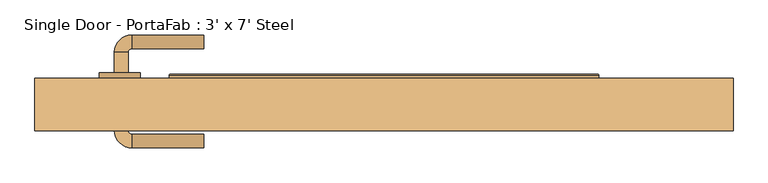
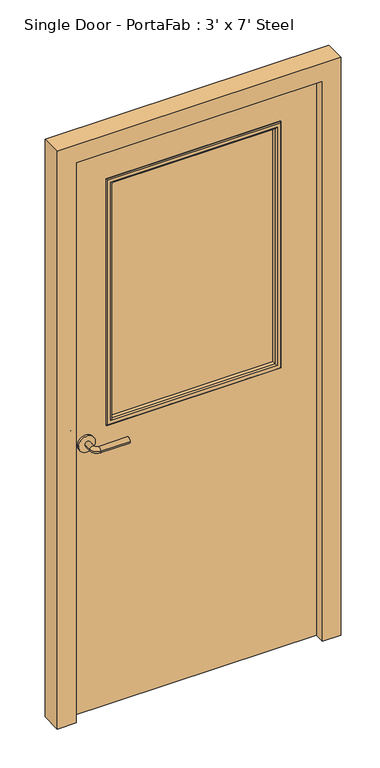
"""IFC4 building model written with IfcOpenShell, lengths in millimetres: door geometry, Single Door - PortaFab : 3' x 7' Steel."""

from ifc_helpers import new_model, si_unit, point, frame, frame_2d, origin, place, context, project, spatial, polyline, circle_curve, ellipse_curve, trimmed, segment, composite_curve, outline, extrude, faceted_brep, source, transform, mapped, element, save
from ifc_brep_helpers import plane_surface, cylinder_surface, revolved_surface, advanced_brep


def single_door_portafab_3_x_7_steel_5372bb3b(model_context):
    return source(origin(), model_context, "Body", "SolidModel", [
        advanced_brep(
        [(-392.190625, 69.7875, 1016.0), (-372.190625, 69.7875, 1016.0), (-372.190625, 39.7875, 1016.0), (-392.190625, 39.7875, 1016.0), (-367.190625, 34.7875, 1016.0), (-367.190625, 14.7875, 1016.0), (-262.190625, 14.7875, 1016.0), (-262.190625, 34.7875, 1016.0)],
        [
            (0, 1, circle_curve(frame((-382.190625, 69.7875, 1016.0), z_axis=(0.0, 1.0, 0.0), x_axis=(1.0, 0.0, 0.0)), 10.0)),
            (1, 0, circle_curve(frame((-382.190625, 69.7875, 1016.0), z_axis=(0.0, 1.0, 0.0), x_axis=(1.0, 0.0, 0.0)), 10.0)),
            (1, 2),
            (2, 3, circle_curve(frame((-382.190625, 39.7875, 1016.0), z_axis=(0.0, 1.0, 0.0), x_axis=(1.0, 0.0, 0.0)), 10.0)),
            (3, 0),
            (3, 2, circle_curve(frame((-382.190625, 39.7875, 1016.0), z_axis=(0.0, 1.0, 0.0), x_axis=(1.0, 0.0, 0.0)), 10.0)),
            (4, 5, circle_curve(frame((-367.190625, 24.7875, 1016.0), z_axis=(-1.0, 0.0, 0.0), x_axis=(0.0, 1.0, 0.0)), 10.0)),
            (5, 3, circle_curve(frame((-367.190625, 39.7875, 1016.0), z_axis=(0.0, 0.0, -1.0), x_axis=(-1.0, 0.0, 0.0)), 25.0)),
            (2, 4, circle_curve(frame((-367.190625, 39.7875, 1016.0), z_axis=(0.0, 0.0, 1.0), x_axis=(-1.0, 0.0, 0.0)), 5.0)),
            (5, 4, circle_curve(frame((-367.190625, 24.7875, 1016.0), z_axis=(-1.0, 0.0, 0.0), x_axis=(0.0, 1.0, 0.0)), 10.0)),
            (6, 7, circle_curve(frame((-262.190625, 24.7875, 1016.0), z_axis=(1.0, 0.0, 0.0), x_axis=(0.0, 1.0, 0.0)), 10.0)),
            (7, 6, circle_curve(frame((-262.190625, 24.7875, 1016.0), z_axis=(1.0, 0.0, 0.0), x_axis=(0.0, 1.0, 0.0)), 10.0)),
            (4, 7),
            (6, 5),
        ],
        [
            plane_surface(frame((-382.190625, 69.7875, 1016.0), z_axis=(0.0, 1.0, 0.0), x_axis=(0.0, 0.0, 1.0))),
            cylinder_surface(frame((-382.190625, 69.7875, 1016.0), z_axis=(0.0, 1.0, 0.0), x_axis=(1.0, 0.0, 0.0)), 10.0),
            revolved_surface(trimmed(ellipse_curve(frame((-382.190625, 39.7875, 1016.0), z_axis=(0.0, -1.0, 0.0), x_axis=(1.0, 0.0, 0.0)), 10.0, 10.0), [point((-392.190625, 39.7875, 1016.0))], [point((-372.190625, 39.7875, 1016.0))], True, "CARTESIAN"), (-367.190625, 39.7875, 1016.0), (0.0, 0.0, -1.0)),
            revolved_surface(trimmed(ellipse_curve(frame((-382.190625, 39.7875, 1016.0), z_axis=(0.0, -1.0, 0.0), x_axis=(1.0, 0.0, 0.0)), 10.0, 10.0), [point((-372.190625, 39.7875, 1016.0))], [point((-392.190625, 39.7875, 1016.0))], True, "CARTESIAN"), (-367.190625, 39.7875, 1016.0), (0.0, 0.0, -1.0)),
            plane_surface(frame((-262.190625, 24.7875, 1016.0), z_axis=(1.0, 0.0, 0.0), x_axis=(0.0, 0.0, 1.0))),
            cylinder_surface(frame((-367.190625, 24.7875, 1016.0), z_axis=(-1.0, 0.0, 0.0), x_axis=(0.0, 1.0, 0.0)), 10.0),
        ],
        [
            (0, [[1, 2]]),
            (1, [[3, 4, 5, -2]]),
            (1, [[-5, 6, -3, -1]]),
            (2, [[7, 8, -4, 9]]),
            (3, [[10, -9, -6, -8]]),
            (4, [[11, 12]]),
            (5, [[13, -11, 14, -7]]),
            (5, [[-14, -12, -13, -10]]),
        ],
    ),
        extrude(outline(composite_curve([segment(trimmed(circle_curve(frame_2d((1016.0, -384.690625)), 30.0), [point((1016.0, -414.690625))], [point((1016.0, -354.690625))], False, "CARTESIAN"), True, "CONTINUOUS"), segment(trimmed(circle_curve(frame_2d((1016.0, -384.690625)), 30.0), [point((1016.0, -354.690625))], [point((1016.0, -414.690625))], False, "CARTESIAN"), True, "CONTINUOUS")], self_intersect=False)), frame((0.0, 69.7875, 0.0), z_axis=(0.0, 1.0, 0.0), x_axis=(0.0, 0.0, 1.0)), (0.0, 0.0, 1.0), 8.0),
        advanced_brep(
        [(-392.190625, 123.8875, 1016.0), (-372.190625, 123.8875, 1016.0), (-392.190625, 153.8875, 1016.0), (-372.190625, 153.8875, 1016.0), (-367.190625, 158.8875, 1016.0), (-367.190625, 178.8875, 1016.0), (-262.190625, 178.8875, 1016.0), (-262.190625, 158.8875, 1016.0)],
        [
            (0, 1, circle_curve(frame((-382.190625, 123.8875, 1016.0), z_axis=(0.0, -1.0, 0.0), x_axis=(1.0, 0.0, 0.0)), 10.0)),
            (1, 0, circle_curve(frame((-382.190625, 123.8875, 1016.0), z_axis=(0.0, -1.0, 0.0), x_axis=(1.0, 0.0, 0.0)), 10.0)),
            (0, 2),
            (2, 3, circle_curve(frame((-382.190625, 153.8875, 1016.0), z_axis=(0.0, -1.0, 0.0), x_axis=(1.0, 0.0, 0.0)), 10.0)),
            (3, 1),
            (3, 2, circle_curve(frame((-382.190625, 153.8875, 1016.0), z_axis=(0.0, -1.0, 0.0), x_axis=(1.0, 0.0, 0.0)), 10.0)),
            (4, 3, circle_curve(frame((-367.190625, 153.8875, 1016.0), z_axis=(0.0, 0.0, 1.0), x_axis=(-1.0, 0.0, 0.0)), 5.0)),
            (2, 5, circle_curve(frame((-367.190625, 153.8875, 1016.0), z_axis=(0.0, 0.0, -1.0), x_axis=(-1.0, 0.0, 0.0)), 25.0)),
            (5, 4, circle_curve(frame((-367.190625, 168.8875, 1016.0), z_axis=(-1.0, 0.0, 0.0), x_axis=(0.0, -1.0, 0.0)), 10.0)),
            (4, 5, circle_curve(frame((-367.190625, 168.8875, 1016.0), z_axis=(-1.0, 0.0, 0.0), x_axis=(0.0, -1.0, 0.0)), 10.0)),
            (6, 7, circle_curve(frame((-262.190625, 168.8875, 1016.0), z_axis=(1.0, 0.0, 0.0), x_axis=(0.0, -1.0, 0.0)), 10.0)),
            (7, 6, circle_curve(frame((-262.190625, 168.8875, 1016.0), z_axis=(1.0, 0.0, 0.0), x_axis=(0.0, -1.0, 0.0)), 10.0)),
            (5, 6),
            (7, 4),
        ],
        [
            plane_surface(frame((-382.190625, 123.8875, 1016.0), z_axis=(0.0, -1.0, 0.0), x_axis=(0.0, 0.0, 1.0))),
            cylinder_surface(frame((-382.190625, 123.8875, 1016.0), z_axis=(0.0, -1.0, 0.0), x_axis=(1.0, 0.0, 0.0)), 10.0),
            revolved_surface(trimmed(ellipse_curve(frame((-382.190625, 153.8875, 1016.0), z_axis=(0.0, -1.0, 0.0), x_axis=(1.0, 0.0, 0.0)), 10.0, 10.0), [point((-392.190625, 153.8875, 1016.0))], [point((-372.190625, 153.8875, 1016.0))], True, "CARTESIAN"), (-367.190625, 153.8875, 1016.0), (0.0, 0.0, -1.0)),
            revolved_surface(trimmed(ellipse_curve(frame((-382.190625, 153.8875, 1016.0), z_axis=(0.0, -1.0, 0.0), x_axis=(1.0, 0.0, 0.0)), 10.0, 10.0), [point((-372.190625, 153.8875, 1016.0))], [point((-392.190625, 153.8875, 1016.0))], True, "CARTESIAN"), (-367.190625, 153.8875, 1016.0), (0.0, 0.0, -1.0)),
            plane_surface(frame((-262.190625, 168.8875, 1016.0), z_axis=(1.0, 0.0, 0.0), x_axis=(0.0, 0.0, 1.0))),
            cylinder_surface(frame((-367.190625, 168.8875, 1016.0), z_axis=(-1.0, 0.0, 0.0), x_axis=(0.0, -1.0, 0.0)), 10.0),
        ],
        [
            (0, [[1, 2]]),
            (1, [[-1, 3, 4, 5]]),
            (1, [[-2, -5, 6, -3]]),
            (2, [[7, -4, 8, 9]]),
            (3, [[-8, -6, -7, 10]]),
            (4, [[11, 12]]),
            (5, [[-9, 13, -12, 14]]),
            (5, [[-10, -14, -11, -13]]),
        ],
    ),
        extrude(outline(composite_curve([segment(trimmed(circle_curve(frame_2d((1016.0, -384.690625)), 30.0), [point((1016.0, -414.690625))], [point((1016.0, -354.690625))], False, "CARTESIAN"), True, "CONTINUOUS"), segment(trimmed(circle_curve(frame_2d((1016.0, -384.690625)), 30.0), [point((1016.0, -354.690625))], [point((1016.0, -414.690625))], False, "CARTESIAN"), True, "CONTINUOUS")], self_intersect=False)), frame((0.0, 115.8875, 0.0), z_axis=(0.0, 1.0, 0.0), x_axis=(0.0, 0.0, 1.0)), (0.0, 0.0, 1.0), 8.0),
        extrude(outline(polyline([(304.8, 90.4875), (-304.8, 90.4875), (-304.8, 96.8375), (304.8, 96.8375), (304.8, 90.4875)])), frame((0.0, 0.0, 1066.8), z_axis=(0.0, 0.0, 1.0), x_axis=(1.0, 0.0, 0.0)), (0.0, 0.0, 1.0), 914.4),
        extrude(outline(polyline([(2133.6, -457.2), (0.0, -457.2), (0.0, 457.2), (2133.6, 457.2), (2133.6, -457.2)]), holes=[polyline([(1981.2, -304.8), (1981.2, 304.8), (1066.8, 304.8), (1066.8, -304.8), (1981.2, -304.8)])]), frame((0.0, 77.7875, 0.0), z_axis=(0.0, 1.0, 0.0), x_axis=(0.0, 0.0, 1.0)), (0.0, 0.0, 1.0), 38.1),
        faceted_brep([(457.2, 73.025, 0.0), (457.2, 115.8875, 0.0), (508.0, 115.8875, 0.0), (508.0, 39.6875, 0.0), (441.325, 39.6875, 0.0), (441.325, 73.025, 0.0), (457.2, 73.025, 2133.6), (457.2, 115.8875, 2133.6), (-457.2, 115.8875, 2133.6), (-457.2, 115.8875, 0.0), (-508.0, 115.8875, 0.0), (-508.0, 115.8875, 2184.4), (508.0, 115.8875, 2184.4), (508.0, 39.6875, 2184.4), (-508.0, 39.6875, 2184.4), (-508.0, 39.6875, 0.0), (-441.325, 39.6875, 0.0), (-441.325, 39.6875, 2117.725), (441.325, 39.6875, 2117.725), (441.325, 73.025, 2117.725), (-441.325, 73.025, 2117.725), (-441.325, 73.025, 0.0), (-457.2, 73.025, 0.0), (-457.2, 73.025, 2133.6)], [[[0, 1, 2, 3, 4, 5]], [[1, 0, 6, 7]], [[2, 1, 7, 8, 9, 10, 11, 12]], [[3, 2, 12, 13]], [[3, 13, 14, 15, 16, 17, 18, 4]], [[5, 4, 18, 19]], [[0, 5, 19, 20, 21, 22, 23, 6]], [[8, 23, 22, 9]], [[22, 21, 16, 15, 10, 9]], [[14, 11, 10, 15]], [[20, 17, 16, 21]], [[7, 6, 23, 8]], [[13, 12, 11, 14]], [[19, 18, 17, 20]]]),
        advanced_brep(
        [(-304.8, 96.8375, 1066.8), (-304.8, 77.7875, 1066.8), (-304.8, 77.7875, 1981.2), (-304.8, 96.8375, 1981.2), (-292.8, 76.7875, 1078.8), (-292.8, 96.8375, 1078.8), (-292.8, 96.8375, 1969.2), (-292.8, 76.7875, 1969.2), (-297.8, 71.7875, 1073.8), (-297.8, 71.7875, 1974.2), (-312.8, 73.7875, 1058.8), (-310.8, 71.7875, 1060.8), (-310.8, 71.7875, 1987.2), (-312.8, 73.7875, 1989.2), (-312.8, 77.7875, 1058.8), (-312.8, 77.7875, 1989.2), (304.8, 77.7875, 1981.2), (304.8, 96.8375, 1981.2), (292.8, 96.8375, 1969.2), (292.8, 76.7875, 1969.2), (297.8, 71.7875, 1974.2), (310.8, 71.7875, 1987.2), (312.8, 73.7875, 1989.2), (312.8, 77.7875, 1989.2), (304.8, 77.7875, 1066.8), (304.8, 96.8375, 1066.8), (292.8, 96.8375, 1078.8), (292.8, 76.7875, 1078.8), (297.8, 71.7875, 1073.8), (310.8, 71.7875, 1060.8), (312.8, 73.7875, 1058.8), (312.8, 77.7875, 1058.8)],
        [
            (0, 1),
            (1, 2),
            (2, 3),
            (3, 0),
            (4, 5),
            (5, 6),
            (6, 7),
            (7, 4),
            (8, 4, ellipse_curve(frame((-297.8, 76.7875, 1073.8), z_axis=(-0.7071067811865475, 0.0, 0.7071067811865475), x_axis=(-0.7071067811865474, 0.0, -0.7071067811865476)), 7.0710678, 5.0)),
            (7, 9, ellipse_curve(frame((-297.8, 76.7875, 1974.2), z_axis=(-0.7071067811865475, 0.0, -0.7071067811865475), x_axis=(0.7071067811865474, 0.0, -0.7071067811865476)), 7.0710678, 5.0)),
            (9, 8),
            (10, 11, ellipse_curve(frame((-310.8, 73.7875, 1060.8), z_axis=(-0.7071067811865475, 0.0, 0.7071067811865475), x_axis=(-0.7071067811865474, 0.0, -0.7071067811865476)), 2.8284271, 2.0)),
            (11, 12),
            (12, 13, ellipse_curve(frame((-310.8, 73.7875, 1987.2), z_axis=(-0.7071067811865475, 0.0, -0.7071067811865475), x_axis=(0.7071067811865474, 0.0, -0.7071067811865476)), 2.8284271, 2.0)),
            (13, 10),
            (14, 10),
            (13, 15),
            (15, 14),
            (2, 16),
            (16, 17),
            (17, 3),
            (6, 18),
            (18, 19),
            (19, 7),
            (19, 20, ellipse_curve(frame((297.8, 76.7875, 1974.2), z_axis=(-0.7071067811865475, 0.0, 0.7071067811865475), x_axis=(-0.7071067811865476, 0.0, -0.7071067811865474)), 7.0710678, 5.0)),
            (20, 9),
            (12, 21),
            (21, 22, ellipse_curve(frame((310.8, 73.7875, 1987.2), z_axis=(-0.7071067811865475, 0.0, 0.7071067811865475), x_axis=(-0.7071067811865476, 0.0, -0.7071067811865474)), 2.8284271, 2.0)),
            (22, 13),
            (22, 23),
            (23, 15),
            (16, 24),
            (24, 25),
            (25, 17),
            (18, 26),
            (26, 27),
            (27, 19),
            (27, 28, ellipse_curve(frame((297.8, 76.7875, 1073.8), z_axis=(0.7071067811865475, 0.0, 0.7071067811865475), x_axis=(-0.7071067811865474, 0.0, 0.7071067811865476)), 7.0710678, 5.0)),
            (28, 20),
            (21, 29),
            (29, 30, ellipse_curve(frame((310.8, 73.7875, 1060.8), z_axis=(0.7071067811865475, 0.0, 0.7071067811865475), x_axis=(-0.7071067811865474, 0.0, 0.7071067811865476)), 2.8284271, 2.0)),
            (30, 22),
            (30, 31),
            (31, 23),
            (31, 14),
            (1, 24),
            (0, 25),
            (5, 26),
            (4, 27),
            (8, 28),
            (11, 29),
            (10, 30),
        ],
        [
            plane_surface(frame((-304.8, 77.7875, 1066.8), z_axis=(-1.0, 0.0, 0.0), x_axis=(0.0, 0.0, 1.0))),
            plane_surface(frame((-292.8, 96.8375, 1078.8), z_axis=(1.0, 0.0, 0.0), x_axis=(0.0, 0.0, 1.0))),
            cylinder_surface(frame((-297.8, 76.7875, 1066.8), z_axis=(0.0, 0.0, -1.0), x_axis=(-1.0, 0.0, 0.0)), 5.0),
            cylinder_surface(frame((-310.8, 73.7875, 1066.8), z_axis=(0.0, 0.0, -1.0), x_axis=(-1.0, 0.0, 0.0)), 2.0),
            plane_surface(frame((-312.8, 73.7875, 1058.8), z_axis=(-1.0, 0.0, 0.0), x_axis=(0.0, 0.0, 1.0))),
            plane_surface(frame((-304.8, 77.7875, 1981.2), z_axis=(0.0, 0.0, 1.0), x_axis=(1.0, 0.0, 0.0))),
            plane_surface(frame((-292.8, 96.8375, 1969.2), z_axis=(0.0, 0.0, -1.0), x_axis=(1.0, 0.0, 0.0))),
            cylinder_surface(frame((-304.8, 76.7875, 1974.2), z_axis=(-1.0, 0.0, 0.0), x_axis=(0.0, 0.0, 1.0)), 5.0),
            cylinder_surface(frame((-304.8, 73.7875, 1987.2), z_axis=(-1.0, 0.0, 0.0), x_axis=(0.0, 0.0, 1.0)), 2.0),
            plane_surface(frame((-312.8, 73.7875, 1989.2), z_axis=(0.0, 0.0, 1.0), x_axis=(1.0, 0.0, 0.0))),
            plane_surface(frame((304.8, 77.7875, 1981.2), z_axis=(1.0, 0.0, 0.0), x_axis=(0.0, 0.0, -1.0))),
            plane_surface(frame((292.8, 96.8375, 1969.2), z_axis=(-1.0, 0.0, 0.0), x_axis=(0.0, 0.0, -1.0))),
            cylinder_surface(frame((297.8, 76.7875, 1981.2), z_axis=(0.0, 0.0, 1.0), x_axis=(1.0, 0.0, 0.0)), 5.0),
            cylinder_surface(frame((310.8, 73.7875, 1981.2), z_axis=(0.0, 0.0, 1.0), x_axis=(1.0, 0.0, 0.0)), 2.0),
            plane_surface(frame((312.8, 73.7875, 1989.2), z_axis=(1.0, 0.0, 0.0), x_axis=(0.0, 0.0, -1.0))),
            plane_surface(frame((312.8, 77.7875, 1058.8), z_axis=(0.0, 1.0, 0.0), x_axis=(-1.0, 0.0, 0.0))),
            plane_surface(frame((304.8, 77.7875, 1066.8), z_axis=(0.0, 0.0, -1.0), x_axis=(-1.0, 0.0, 0.0))),
            plane_surface(frame((304.8, 96.8375, 1066.8), z_axis=(0.0, 1.0, 0.0), x_axis=(-1.0, 0.0, 0.0))),
            plane_surface(frame((292.8, 96.8375, 1078.8), z_axis=(0.0, 0.0, 1.0), x_axis=(-1.0, 0.0, 0.0))),
            cylinder_surface(frame((304.8, 76.7875, 1073.8), z_axis=(1.0, 0.0, 0.0), x_axis=(0.0, 0.0, -1.0)), 5.0),
            plane_surface(frame((297.8, 71.7875, 1073.8), z_axis=(0.0, -1.0, 0.0), x_axis=(-1.0, 0.0, 0.0))),
            cylinder_surface(frame((304.8, 73.7875, 1060.8), z_axis=(1.0, 0.0, 0.0), x_axis=(0.0, 0.0, -1.0)), 2.0),
            plane_surface(frame((312.8, 73.7875, 1058.8), z_axis=(0.0, 0.0, -1.0), x_axis=(-1.0, 0.0, 0.0))),
        ],
        [
            (0, [[1, 2, 3, 4]]),
            (1, [[5, 6, 7, 8]]),
            (2, [[9, -8, 10, 11]]),
            (3, [[12, 13, 14, 15]]),
            (4, [[16, -15, 17, 18]]),
            (5, [[-3, 19, 20, 21]]),
            (6, [[-7, 22, 23, 24]]),
            (7, [[-10, -24, 25, 26]]),
            (8, [[-14, 27, 28, 29]]),
            (9, [[-17, -29, 30, 31]]),
            (10, [[-20, 32, 33, 34]]),
            (11, [[-23, 35, 36, 37]]),
            (12, [[-25, -37, 38, 39]]),
            (13, [[-28, 40, 41, 42]]),
            (14, [[-30, -42, 43, 44]]),
            (15, [[-31, -44, 45, -18], [46, -32, -19, -2]]),
            (16, [[-33, -46, -1, 47]]),
            (17, [[-21, -34, -47, -4], [48, -35, -22, -6]]),
            (18, [[-36, -48, -5, 49]]),
            (19, [[-38, -49, -9, 50]]),
            (20, [[51, -40, -27, -13], [-26, -39, -50, -11]]),
            (21, [[-41, -51, -12, 52]]),
            (22, [[-43, -52, -16, -45]]),
        ],
    ),
        advanced_brep(
        [(-304.8, 96.8375, 1981.2), (-304.8, 115.8875, 1981.2), (-304.8, 115.8875, 1066.8), (-304.8, 96.8375, 1066.8), (-292.8, 116.8875, 1969.2), (-292.8, 96.8375, 1969.2), (-292.8, 96.8375, 1078.8), (-292.8, 116.8875, 1078.8), (-297.8, 121.8875, 1974.2), (-297.8, 121.8875, 1073.8), (-312.8, 119.8875, 1989.2), (-310.8, 121.8875, 1987.2), (-310.8, 121.8875, 1060.8), (-312.8, 119.8875, 1058.8), (-312.8, 115.8875, 1989.2), (-312.8, 115.8875, 1058.8), (304.8, 115.8875, 1066.8), (304.8, 96.8375, 1066.8), (292.8, 96.8375, 1078.8), (292.8, 116.8875, 1078.8), (297.8, 121.8875, 1073.8), (310.8, 121.8875, 1060.8), (312.8, 119.8875, 1058.8), (312.8, 115.8875, 1058.8), (304.8, 115.8875, 1981.2), (304.8, 96.8375, 1981.2), (292.8, 96.8375, 1969.2), (292.8, 116.8875, 1969.2), (297.8, 121.8875, 1974.2), (310.8, 121.8875, 1987.2), (312.8, 119.8875, 1989.2), (312.8, 115.8875, 1989.2)],
        [
            (0, 1),
            (1, 2),
            (2, 3),
            (3, 0),
            (4, 5),
            (5, 6),
            (6, 7),
            (7, 4),
            (8, 4, ellipse_curve(frame((-297.8, 116.8875, 1974.2), z_axis=(-0.7071067811865475, 0.0, -0.7071067811865475), x_axis=(-0.7071067811865474, 0.0, 0.7071067811865476)), 7.0710678, 5.0)),
            (7, 9, ellipse_curve(frame((-297.8, 116.8875, 1073.8), z_axis=(-0.7071067811865475, 0.0, 0.7071067811865475), x_axis=(0.7071067811865474, 0.0, 0.7071067811865476)), 7.0710678, 5.0)),
            (9, 8),
            (10, 11, ellipse_curve(frame((-310.8, 119.8875, 1987.2), z_axis=(-0.7071067811865475, 0.0, -0.7071067811865475), x_axis=(-0.7071067811865474, 0.0, 0.7071067811865476)), 2.8284271, 2.0)),
            (11, 12),
            (12, 13, ellipse_curve(frame((-310.8, 119.8875, 1060.8), z_axis=(-0.7071067811865475, 0.0, 0.7071067811865475), x_axis=(0.7071067811865474, 0.0, 0.7071067811865476)), 2.8284271, 2.0)),
            (13, 10),
            (14, 10),
            (13, 15),
            (15, 14),
            (2, 16),
            (16, 17),
            (17, 3),
            (6, 18),
            (18, 19),
            (19, 7),
            (19, 20, ellipse_curve(frame((297.8, 116.8875, 1073.8), z_axis=(-0.7071067811865475, 0.0, -0.7071067811865475), x_axis=(-0.7071067811865476, 0.0, 0.7071067811865474)), 7.0710678, 5.0)),
            (20, 9),
            (12, 21),
            (21, 22, ellipse_curve(frame((310.8, 119.8875, 1060.8), z_axis=(-0.7071067811865475, 0.0, -0.7071067811865475), x_axis=(-0.7071067811865476, 0.0, 0.7071067811865474)), 2.8284271, 2.0)),
            (22, 13),
            (22, 23),
            (23, 15),
            (16, 24),
            (24, 25),
            (25, 17),
            (18, 26),
            (26, 27),
            (27, 19),
            (27, 28, ellipse_curve(frame((297.8, 116.8875, 1974.2), z_axis=(0.7071067811865475, 0.0, -0.7071067811865475), x_axis=(-0.7071067811865474, 0.0, -0.7071067811865476)), 7.0710678, 5.0)),
            (28, 20),
            (21, 29),
            (29, 30, ellipse_curve(frame((310.8, 119.8875, 1987.2), z_axis=(0.7071067811865475, 0.0, -0.7071067811865475), x_axis=(-0.7071067811865474, 0.0, -0.7071067811865476)), 2.8284271, 2.0)),
            (30, 22),
            (30, 31),
            (31, 23),
            (31, 14),
            (1, 24),
            (0, 25),
            (5, 26),
            (4, 27),
            (8, 28),
            (11, 29),
            (10, 30),
        ],
        [
            plane_surface(frame((-304.8, 115.8875, 1981.2), z_axis=(-1.0, 0.0, 0.0), x_axis=(0.0, 0.0, -1.0))),
            plane_surface(frame((-292.8, 96.8375, 1969.2), z_axis=(1.0, 0.0, 0.0), x_axis=(0.0, 0.0, -1.0))),
            cylinder_surface(frame((-297.8, 116.8875, 1981.2), z_axis=(0.0, 0.0, 1.0), x_axis=(-1.0, 0.0, 0.0)), 5.0),
            cylinder_surface(frame((-310.8, 119.8875, 1981.2), z_axis=(0.0, 0.0, 1.0), x_axis=(-1.0, 0.0, 0.0)), 2.0),
            plane_surface(frame((-312.8, 119.8875, 1989.2), z_axis=(-1.0, 0.0, 0.0), x_axis=(0.0, 0.0, -1.0))),
            plane_surface(frame((-304.8, 115.8875, 1066.8), z_axis=(0.0, 0.0, -1.0), x_axis=(1.0, 0.0, 0.0))),
            plane_surface(frame((-292.8, 96.8375, 1078.8), z_axis=(0.0, 0.0, 1.0), x_axis=(1.0, 0.0, 0.0))),
            cylinder_surface(frame((-304.8, 116.8875, 1073.8), z_axis=(-1.0, 0.0, 0.0), x_axis=(0.0, 0.0, -1.0)), 5.0),
            cylinder_surface(frame((-304.8, 119.8875, 1060.8), z_axis=(-1.0, 0.0, 0.0), x_axis=(0.0, 0.0, -1.0)), 2.0),
            plane_surface(frame((-312.8, 119.8875, 1058.8), z_axis=(0.0, 0.0, -1.0), x_axis=(1.0, 0.0, 0.0))),
            plane_surface(frame((304.8, 115.8875, 1066.8), z_axis=(1.0, 0.0, 0.0), x_axis=(0.0, 0.0, 1.0))),
            plane_surface(frame((292.8, 96.8375, 1078.8), z_axis=(-1.0, 0.0, 0.0), x_axis=(0.0, 0.0, 1.0))),
            cylinder_surface(frame((297.8, 116.8875, 1066.8), z_axis=(0.0, 0.0, -1.0), x_axis=(1.0, 0.0, 0.0)), 5.0),
            cylinder_surface(frame((310.8, 119.8875, 1066.8), z_axis=(0.0, 0.0, -1.0), x_axis=(1.0, 0.0, 0.0)), 2.0),
            plane_surface(frame((312.8, 119.8875, 1058.8), z_axis=(1.0, 0.0, 0.0), x_axis=(0.0, 0.0, 1.0))),
            plane_surface(frame((312.8, 115.8875, 1989.2), z_axis=(0.0, -1.0, 0.0), x_axis=(-1.0, 0.0, 0.0))),
            plane_surface(frame((304.8, 115.8875, 1981.2), z_axis=(0.0, 0.0, 1.0), x_axis=(-1.0, 0.0, 0.0))),
            plane_surface(frame((304.8, 96.8375, 1981.2), z_axis=(0.0, -1.0, 0.0), x_axis=(-1.0, 0.0, 0.0))),
            plane_surface(frame((292.8, 96.8375, 1969.2), z_axis=(0.0, 0.0, -1.0), x_axis=(-1.0, 0.0, 0.0))),
            cylinder_surface(frame((304.8, 116.8875, 1974.2), z_axis=(1.0, 0.0, 0.0), x_axis=(0.0, 0.0, 1.0)), 5.0),
            plane_surface(frame((297.8, 121.8875, 1974.2), z_axis=(0.0, 1.0, 0.0), x_axis=(-1.0, 0.0, 0.0))),
            cylinder_surface(frame((304.8, 119.8875, 1987.2), z_axis=(1.0, 0.0, 0.0), x_axis=(0.0, 0.0, 1.0)), 2.0),
            plane_surface(frame((312.8, 119.8875, 1989.2), z_axis=(0.0, 0.0, 1.0), x_axis=(-1.0, 0.0, 0.0))),
        ],
        [
            (0, [[1, 2, 3, 4]]),
            (1, [[5, 6, 7, 8]]),
            (2, [[9, -8, 10, 11]]),
            (3, [[12, 13, 14, 15]]),
            (4, [[16, -15, 17, 18]]),
            (5, [[-3, 19, 20, 21]]),
            (6, [[-7, 22, 23, 24]]),
            (7, [[-10, -24, 25, 26]]),
            (8, [[-14, 27, 28, 29]]),
            (9, [[-17, -29, 30, 31]]),
            (10, [[-20, 32, 33, 34]]),
            (11, [[-23, 35, 36, 37]]),
            (12, [[-25, -37, 38, 39]]),
            (13, [[-28, 40, 41, 42]]),
            (14, [[-30, -42, 43, 44]]),
            (15, [[-31, -44, 45, -18], [46, -32, -19, -2]]),
            (16, [[-33, -46, -1, 47]]),
            (17, [[-21, -34, -47, -4], [48, -35, -22, -6]]),
            (18, [[-36, -48, -5, 49]]),
            (19, [[-38, -49, -9, 50]]),
            (20, [[51, -40, -27, -13], [-26, -39, -50, -11]]),
            (21, [[-41, -51, -12, 52]]),
            (22, [[-43, -52, -16, -45]]),
        ],
    ),
    ])


if __name__ == "__main__":
    model = new_model("IFC4")
    model_context = context("Model", 3, world=origin())
    ifc_project = project(units=[si_unit("LENGTHUNIT", "METRE", prefix="MILLI")], contexts=[model_context])
    site = spatial("IfcSite", under=ifc_project)
    building = spatial("IfcBuilding", under=site)
    placement = place(None, origin())
    single_door_portafab_3_x_7_steel_shape = single_door_portafab_3_x_7_steel_5372bb3b(model_context)
    element("IfcDoor", 1, ObjectType="Single Door - PortaFab : 3' x 7' Steel", at=placement, inside=building, context=model_context, shape_type="MappedRepresentation", body=[
        mapped(single_door_portafab_3_x_7_steel_shape, transform((0.0, 0.0, 0.0), x_axis=(1.0, 0.0, 0.0), y_axis=(0.0, 1.0, 0.0), z_axis=(0.0, 0.0, 1.0))),
    ])
    save(model, "model.ifc")
